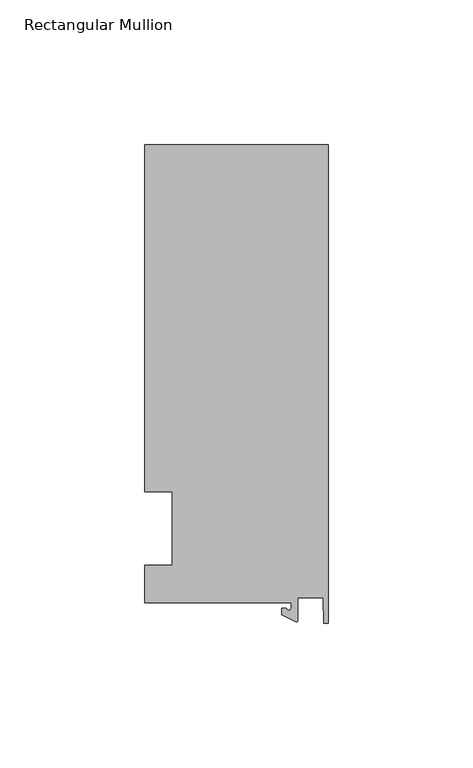
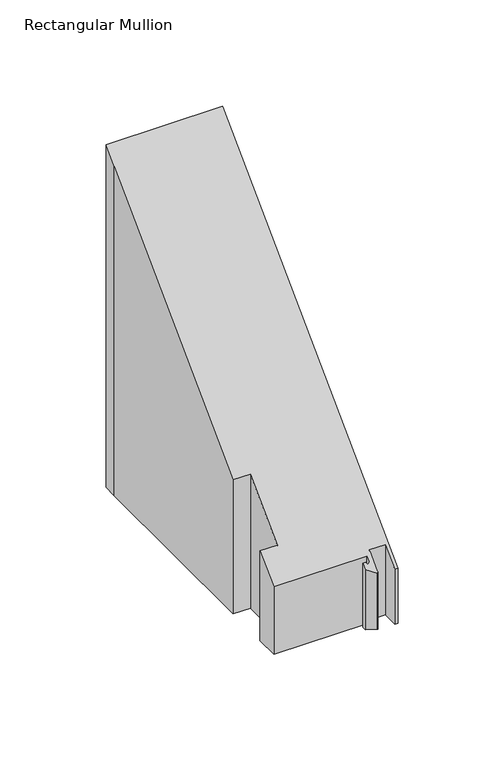
"""IFC4 building model written with IfcOpenShell, lengths in millimetres: member geometry, Rectangular Mullion."""

from ifc_helpers import new_model, si_unit, frame, origin, place, context, project, spatial, polyline, circle_curve, ellipse_curve, source, transform, mapped, element, save
from ifc_brep_helpers import plane_surface, cylinder_surface, revolved_surface, advanced_brep


def rectangular_mullion_dad372c2(model_context):
    return source(origin(), model_context, "Body", "AdvancedBrep", [
        advanced_brep(
        [(-12.8216721, -25.5984375, -64.44615), (-63.5, -25.5984375, -64.44615), (-63.5, -12.7, -64.44615), (-53.975, -12.7, -64.44615), (-53.975, 12.7, -64.44615), (-63.5, 12.7, -64.44615), (-63.5, 125.075512, -64.44615), (-63.5, 132.822512, -64.44615), (0.0, 132.822512, -64.44615), (0.0, -32.810012, -64.44615), (-1.5566453, -32.810012, -64.44615), (-1.7144124, -23.9227662, -64.44615), (-10.4340721, -23.9227662, -64.44615), (-10.4340721, -31.6795354, -64.44615), (-11.1567622, -32.1399398, -64.44615), (-15.9966721, -29.8830527, -64.44615), (-15.9966721, -27.5208534, -64.44615), (-14.4091721, -27.5208534, -64.44615), (-12.8216721, -27.5208534, -64.44615), (-12.8216721, -27.5208534, -27.5208534), (-12.8216721, -25.5984375, -25.5984375), (-14.4091721, -27.5208534, -27.5208534), (-15.9966721, -27.5208534, -27.5208534), (-15.9966721, -29.8830527, -29.8830527), (-11.1567622, -32.1399398, -32.1399398), (-10.4340721, -31.6795354, -31.6795354), (-10.4340721, -23.9227662, -23.9227662), (-1.7144124, -23.9227662, -23.9227662), (-1.5566453, -32.810012, -32.810012), (0.0, -32.810012, -32.810012), (0.0, 132.822512, 132.822512), (-63.5, 132.822512, 132.822512), (-63.5, 12.7, 12.7), (-63.5, 125.075512, 125.075512), (-53.975, 12.7, 12.7), (-53.975, -12.7, -12.7), (-63.5, -12.7, -12.7), (-63.5, -25.5984375, -25.5984375)],
        [
            (0, 1),
            (1, 2),
            (2, 3),
            (3, 4),
            (4, 5),
            (5, 6),
            (6, 7),
            (7, 8),
            (8, 9),
            (9, 10),
            (10, 11),
            (11, 12),
            (12, 13),
            (13, 14, circle_curve(frame((-10.9420721, -31.6795354, -64.44615), z_axis=(0.0, 0.0, -1.0), x_axis=(-1.0, 0.0, 0.0)), 0.508)),
            (14, 15),
            (15, 16),
            (16, 17),
            (17, 18, circle_curve(frame((-13.6154221, -27.5208534, -64.44615), z_axis=(0.0, 0.0, 1.0), x_axis=(-1.0, 0.0, 0.0)), 0.79375)),
            (18, 0),
            (19, 20),
            (20, 0),
            (18, 19),
            (21, 19, ellipse_curve(frame((-13.6154221, -27.5208534, -27.5208534), z_axis=(0.0, -0.7071067811865536, 0.7071067811865416), x_axis=(0.0, -0.7071067811865416, -0.7071067811865533)), 1.122532, 0.79375)),
            (17, 21),
            (22, 21),
            (16, 22),
            (23, 22),
            (15, 23),
            (24, 23),
            (14, 24),
            (25, 24, ellipse_curve(frame((-10.9420721, -31.6795354, -31.6795354), z_axis=(0.0, 0.7071067811865536, -0.7071067811865416), x_axis=(0.0, 0.7071067811865416, 0.7071067811865533)), 0.7184205, 0.508)),
            (13, 25),
            (26, 25),
            (12, 26),
            (27, 26),
            (11, 27),
            (28, 27),
            (10, 28),
            (29, 28),
            (9, 29),
            (30, 29),
            (8, 30),
            (31, 30),
            (7, 31),
            (32, 33),
            (33, 6),
            (5, 32),
            (34, 32),
            (4, 34),
            (35, 34),
            (3, 35),
            (36, 35),
            (2, 36),
            (37, 36),
            (1, 37),
            (20, 37),
            (31, 33),
        ],
        [
            plane_surface(frame((0.0, -147.2211591, -64.44615), z_axis=(0.0, 0.0, -1.0), x_axis=(-1.0, 0.0, 0.0))),
            plane_surface(frame((-12.8216721, -25.5984375, 0.0), z_axis=(-1.0, 0.0, 0.0), x_axis=(0.0, 0.0, -1.0))),
            revolved_surface(polyline([(-14.4091721, -27.5208534, -64.44615), (-14.4091721, -27.5208534, -26.727103410701098)]), (-13.6154221, -27.5208534, 0.0), (0.0, 0.0, -1.0)),
            plane_surface(frame((-14.4091721, -27.5208534, 0.0), z_axis=(0.0, 1.0, 0.0), x_axis=(0.0, 0.0, -1.0))),
            plane_surface(frame((-15.9966721, -27.5208534, 0.0), z_axis=(-1.0, 0.0, 0.0), x_axis=(0.0, 0.0, -1.0))),
            plane_surface(frame((-15.9966721, -29.8830527, 0.0), z_axis=(-0.4226182617406985, -0.9063077870366505, 0.0), x_axis=(0.0, 0.0, -1.0))),
            cylinder_surface(frame((-10.9420721, -31.6795354, 0.0), z_axis=(0.0, 0.0, 1.0), x_axis=(-1.0, 0.0, 0.0)), 0.508),
            plane_surface(frame((-10.4340721, -31.6795354, 0.0), z_axis=(1.0, 0.0, 0.0), x_axis=(0.0, 0.0, -1.0))),
            plane_surface(frame((-10.4340721, -23.9227662, 0.0), z_axis=(0.0, -1.0, 0.0), x_axis=(0.0, 0.0, -1.0))),
            plane_surface(frame((-1.7144124, -23.9227662, 0.0), z_axis=(-0.9998424690407919, -0.017749284560600327, 0.0), x_axis=(0.0, 0.0, -1.0))),
            plane_surface(frame((-1.5566453, -32.810012, 0.0), z_axis=(0.0, -1.0, 0.0), x_axis=(0.0, 0.0, -1.0))),
            plane_surface(frame((0.0, -32.810012, 0.0), z_axis=(1.0, 0.0, 0.0), x_axis=(0.0, 0.0, -1.0))),
            plane_surface(frame((0.0, 132.822512, 0.0), z_axis=(0.0, 1.0, 0.0), x_axis=(0.0, 0.0, -1.0))),
            plane_surface(frame((-63.5, 125.075512, 0.0), z_axis=(-1.0, 0.0, 0.0), x_axis=(0.0, 0.0, -1.0))),
            plane_surface(frame((-63.5, 12.7, 0.0), z_axis=(0.0, -1.0, 0.0), x_axis=(0.0, 0.0, -1.0))),
            plane_surface(frame((-53.975, 12.7, 0.0), z_axis=(-1.0, 0.0, 0.0), x_axis=(0.0, 0.0, -1.0))),
            plane_surface(frame((-53.975, -12.7, 0.0), z_axis=(0.0, 1.0, 0.0), x_axis=(0.0, 0.0, -1.0))),
            plane_surface(frame((-63.5, -12.7, 0.0), z_axis=(-1.0, 0.0, 0.0), x_axis=(0.0, 0.0, -1.0))),
            plane_surface(frame((-63.5, -25.5984375, 0.0), z_axis=(0.0, -1.0, 0.0), x_axis=(0.0, 0.0, -1.0))),
            plane_surface(frame((304.8, 0.0, 0.0), z_axis=(0.0, -0.7071067811865536, 0.7071067811865416), x_axis=(0.0, -0.7071067811865416, -0.7071067811865536))),
            plane_surface(frame((-63.5, 132.822512, 0.0), z_axis=(-1.0, 0.0, 0.0), x_axis=(0.0, 0.0, -1.0))),
        ],
        [
            (0, [[1, 2, 3, 4, 5, 6, 7, 8, 9, 10, 11, 12, 13, 14, 15, 16, 17, 18, 19]]),
            (1, [[20, 21, -19, 22]]),
            (2, [[23, -22, -18, 24]]),
            (3, [[25, -24, -17, 26]]),
            (4, [[27, -26, -16, 28]]),
            (5, [[29, -28, -15, 30]]),
            (6, [[31, -30, -14, 32]]),
            (7, [[33, -32, -13, 34]]),
            (8, [[35, -34, -12, 36]]),
            (9, [[37, -36, -11, 38]]),
            (10, [[39, -38, -10, 40]]),
            (11, [[41, -40, -9, 42]]),
            (12, [[43, -42, -8, 44]]),
            (13, [[45, 46, -6, 47]]),
            (14, [[48, -47, -5, 49]]),
            (15, [[50, -49, -4, 51]]),
            (16, [[52, -51, -3, 53]]),
            (17, [[54, -53, -2, 55]]),
            (18, [[56, -55, -1, -21]]),
            (19, [[-20, -23, -25, -27, -29, -31, -33, -35, -37, -39, -41, -43, 57, -45, -48, -50, -52, -54, -56]]),
            (20, [[-57, -44, -7, -46]]),
        ],
    ),
    ])


if __name__ == "__main__":
    model = new_model("IFC4")
    model_context = context("Model", 3, world=origin())
    ifc_project = project(units=[si_unit("LENGTHUNIT", "METRE", prefix="MILLI")], contexts=[model_context])
    site = spatial("IfcSite", under=ifc_project)
    building = spatial("IfcBuilding", under=site)
    placement = place(None, origin())
    rectangular_mullion_shape = rectangular_mullion_dad372c2(model_context)
    element("IfcMember", 1, ObjectType="Rectangular Mullion", at=placement, inside=building, context=model_context, shape_type="MappedRepresentation", body=[
        mapped(rectangular_mullion_shape, transform((0.0, 0.0, 0.0), x_axis=(1.0, 0.0, 0.0), y_axis=(0.0, 1.0, 0.0), z_axis=(0.0, 0.0, 1.0))),
    ])
    save(model, "model.ifc")
